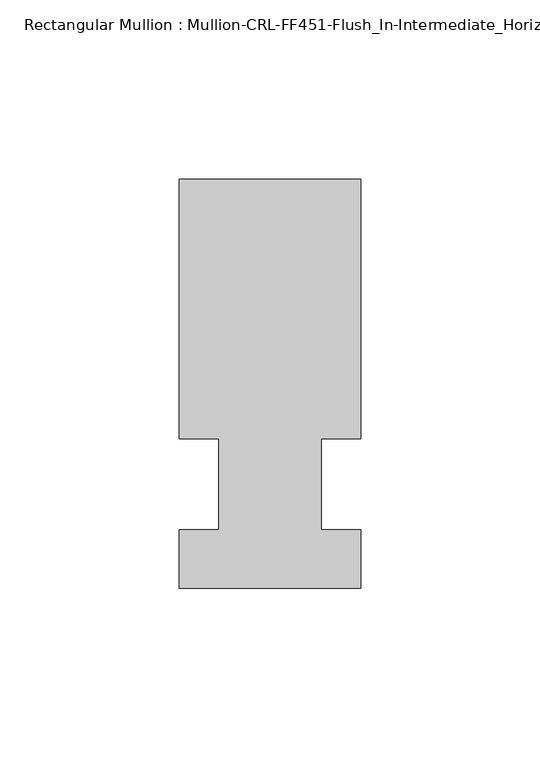
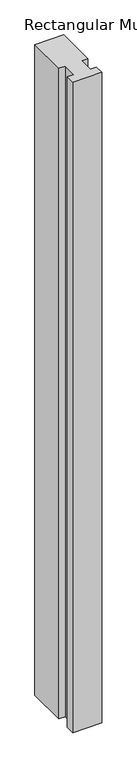
"""IFC4 building model written with IfcOpenShell, lengths in millimetres: member geometry, Rectangular Mullion : Mullion-CRL-FF451-Flush_In-Intermediate_Horizontal-Ext."""

from ifc_helpers import new_model, si_unit, frame, origin, place, context, project, spatial, polyline, outline, extrude, source, transform, mapped, element, save


def rectangular_mullion_mullion_crl_ff451_flush_in_intermediate_75793012(model_context):
    return source(origin(), model_context, "Body", "SweptSolid", [
        extrude(outline(polyline([(21.4290159, -28.988808), (-29.3709841, -28.988808), (-29.3709841, -12.7), (-18.2682251, -12.7), (-18.2682251, 12.7), (-29.3709841, 12.7), (-29.3709841, 85.311192), (21.4290159, 85.311192), (21.4290159, 12.7), (10.3165159, 12.7), (10.3165159, -12.7), (21.4290159, -12.7), (21.4290159, -28.988808)])), frame((0.0, 0.0, -1202.3155522), z_axis=(0.0, 0.0, 1.0), x_axis=(1.0, 0.0, 0.0)), (0.0, 0.0, 1.0), 1202.3155522),
    ])


if __name__ == "__main__":
    model = new_model("IFC4")
    model_context = context("Model", 3, world=origin())
    ifc_project = project(units=[si_unit("LENGTHUNIT", "METRE", prefix="MILLI")], contexts=[model_context])
    site = spatial("IfcSite", under=ifc_project)
    building = spatial("IfcBuilding", under=site)
    placement = place(None, origin())
    rectangular_mullion_mullion_crl_ff451_flush_in_intermediate_shape = rectangular_mullion_mullion_crl_ff451_flush_in_intermediate_75793012(model_context)
    element("IfcMember", 1, ObjectType="Rectangular Mullion : Mullion-CRL-FF451-Flush_In-Intermediate_Horizontal-Ext", at=placement, inside=building, context=model_context, shape_type="MappedRepresentation", body=[
        mapped(rectangular_mullion_mullion_crl_ff451_flush_in_intermediate_shape, transform((0.0, 0.0, 0.0), x_axis=(1.0, 0.0, 0.0), y_axis=(0.0, 1.0, 0.0), z_axis=(0.0, 0.0, 1.0))),
    ])
    save(model, "model.ifc")
